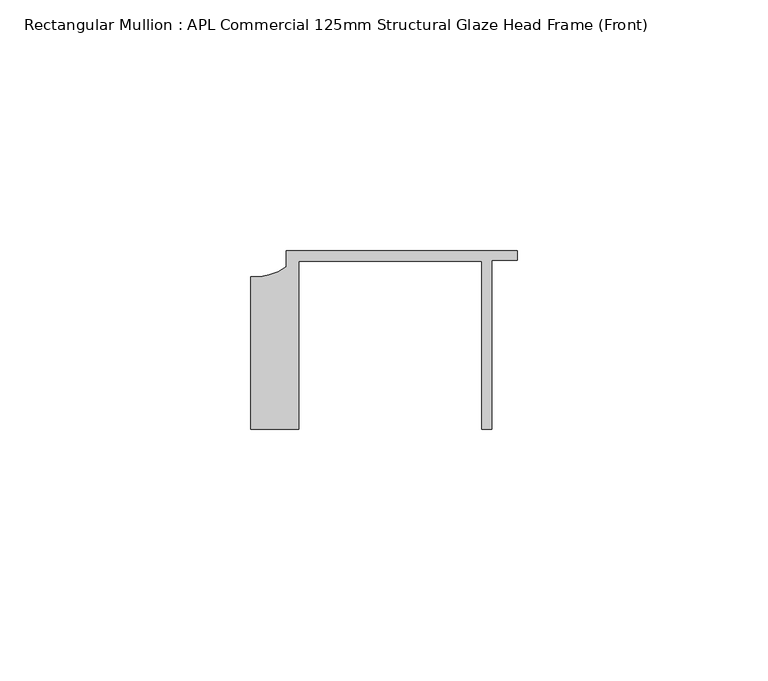
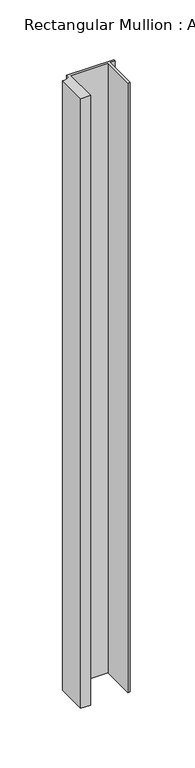
"""IFC4 building model written with IfcOpenShell, lengths in millimetres: member geometry, Rectangular Mullion : APL Commercial 125mm Structural Glaze Head Frame (Front)."""

from ifc_helpers import new_model, si_unit, point, frame, frame_2d, origin, place, context, project, spatial, polyline, circle_curve, trimmed, segment, composite_curve, outline, extrude, source, transform, mapped, element, save


def rectangular_mullion_apl_commercial_125mm_structural_glaze_8f770dcf(model_context):
    return source(origin(), model_context, "Body", "SweptSolid", [
        extrude(outline(composite_curve([segment(polyline([(-52.9999542, -15.0), (-52.9999542, 15.3798304)]), True, "CONTINUOUS"), segment(trimmed(circle_curve(frame_2d((-52.109817, 25.7982641)), 10.4563907), [point((-52.9999542, 15.3798304))], [point((-45.9999994, 17.3126154))], True, "CARTESIAN"), True, "CONTINUOUS"), segment(polyline([(-45.9999994, 17.3126154), (-45.9999994, 20.5002486), (0.0, 20.5002486), (0.0, 18.7002486), (-5.0, 18.7002486), (-5.0, -15.0), (-7.0, -15.0), (-7.0, 18.5002486), (-43.5000151, 18.5002486), (-43.5000151, -15.0), (-52.9999542, -15.0)]), True, "CONTINUOUS")], self_intersect=False)), frame((0.0, 0.0, -624.4000609), z_axis=(0.0, 0.0, 1.0), x_axis=(1.0, 0.0, 0.0)), (0.0, 0.0, 1.0), 624.4000609),
    ])


if __name__ == "__main__":
    model = new_model("IFC4")
    model_context = context("Model", 3, world=origin())
    ifc_project = project(units=[si_unit("LENGTHUNIT", "METRE", prefix="MILLI")], contexts=[model_context])
    site = spatial("IfcSite", under=ifc_project)
    building = spatial("IfcBuilding", under=site)
    placement = place(None, origin())
    rectangular_mullion_apl_commercial_125mm_structural_glaze_shape = rectangular_mullion_apl_commercial_125mm_structural_glaze_8f770dcf(model_context)
    element("IfcMember", 1, ObjectType="Rectangular Mullion : APL Commercial 125mm Structural Glaze Head Frame (Front)", at=placement, inside=building, context=model_context, shape_type="MappedRepresentation", body=[
        mapped(rectangular_mullion_apl_commercial_125mm_structural_glaze_shape, transform((0.0, 0.0, 0.0), x_axis=(1.0, 0.0, 0.0), y_axis=(0.0, 1.0, 0.0), z_axis=(0.0, 0.0, 1.0))),
    ])
    save(model, "model.ifc")
